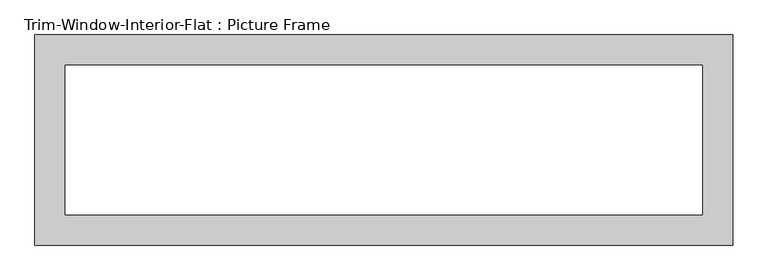
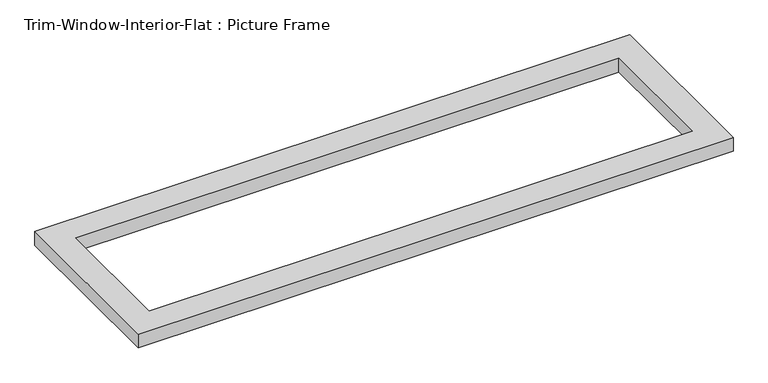
"""IFC4 building model written with IfcOpenShell, lengths in millimetres: proxy geometry, Trim-Window-Interior-Flat : Picture Frame."""

import ifcopenshell
import ifcopenshell.guid

model = None  # the IFC model being written
_history = None  # IfcOwnerHistory: only IFC2X3 demands one
_inside = {}  # id of a spatial element -> (the spatial element, [elements in it])
_under = {}  # id of a project, library or spatial element -> (it, [spatial elements below it])
_declared = {}  # id of a project -> (the project, [libraries it declares])
_typed = {}  # id of a type object -> (the type object, [elements of that type])
_made_of = {}  # id of a material, layer set ... -> (it, [elements and type objects made of it])


def new_model(schema):
    """Start an empty IFC model of exactly this schema.

    Asked for "IFC4X3", IfcOpenShell would pick the latest addendum, in which some entities
    have other attributes; the version numbers below select the first issue.
    IFC2X3 requires an IfcOwnerHistory on every rooted entity: one is made here for all.
    """
    global model, _history
    if schema == "IFC4X3":
        model = ifcopenshell.file(schema_version=(4, 3, 0, 0))
    else:
        model = ifcopenshell.file(schema=schema)
    _inside.clear()
    _under.clear()
    _declared.clear()
    _typed.clear()
    _made_of.clear()
    _history = None
    if model.schema == "IFC2X3":
        org = make("IfcOrganization", Name="unknown")
        user = make(
            "IfcPersonAndOrganization",
            ThePerson=make("IfcPerson", FamilyName="unknown"),
            TheOrganization=org,
        )
        app = make(
            "IfcApplication",
            ApplicationDeveloper=org,
            Version="unknown",
            ApplicationFullName="unknown",
            ApplicationIdentifier="unknown",
        )
        _history = make(
            "IfcOwnerHistory",
            OwningUser=user,
            OwningApplication=app,
            ChangeAction="ADDED",
            CreationDate=0,
        )
    return model


def make(cls, **values):
    """One entity of the class cls with the attributes given. An attribute that is None is left unset."""
    return model.create_entity(
        cls, **{name: value for name, value in values.items() if value is not None}
    )


def rooted(cls, **values):
    """An entity with a GlobalId (a new one), such as an element, a storey or a relation."""
    return make(cls, GlobalId=ifcopenshell.guid.new(), OwnerHistory=_history, **values)


def si_unit(unit_type, name, prefix=None):
    """IfcSIUnit, for example si_unit("LENGTHUNIT", "METRE", prefix="MILLI")."""
    return make("IfcSIUnit", UnitType=unit_type, Prefix=prefix, Name=name)


def assignment(units):
    """IfcUnitAssignment: the units of a project."""
    return None if units is None else make("IfcUnitAssignment", Units=units)


def point(xyz):
    """IfcCartesianPoint."""
    return None if xyz is None else make("IfcCartesianPoint", Coordinates=xyz)


def direction(xyz):
    """IfcDirection."""
    return None if xyz is None else make("IfcDirection", DirectionRatios=xyz)


def frame(location, z_axis=None, x_axis=None):
    """IfcAxis2Placement3D, a coordinate frame: its origin and axes. An axis left out is left unset."""
    return make(
        "IfcAxis2Placement3D",
        Location=point(location),
        Axis=direction(z_axis),
        RefDirection=direction(x_axis),
    )


def origin():
    """The frame at (0, 0, 0) with its axes left unset."""
    return frame((0.0, 0.0, 0.0))


def origin_with_axes():
    """The frame at (0, 0, 0) with the z axis (0, 0, 1) and the x axis (1, 0, 0) written out."""
    return frame((0.0, 0.0, 0.0), z_axis=(0.0, 0.0, 1.0), x_axis=(1.0, 0.0, 0.0))


def place(relative_to, where):
    """IfcLocalPlacement: puts the frame where relative to a parent placement (None: the world)."""
    return make(
        "IfcLocalPlacement", PlacementRelTo=relative_to, RelativePlacement=where
    )


def context(
    kind, dimensions, precision=None, world=None, true_north=None, identifier=None
):
    """IfcGeometricRepresentationContext, for example the 3D "Model" context."""
    return make(
        "IfcGeometricRepresentationContext",
        ContextIdentifier=identifier,
        ContextType=kind,
        CoordinateSpaceDimension=dimensions,
        Precision=precision,
        WorldCoordinateSystem=world,
        TrueNorth=true_north,
    )


def project(units=None, contexts=None):
    """IfcProject with its units and contexts."""
    return rooted(
        "IfcProject",
        Name="project",
        RepresentationContexts=contexts,
        UnitsInContext=assignment(units),
    )


def spatial(cls, under=None, at=None, **own):
    """A site, building, storey or space (cls), placed at a placement, below another one or the project."""
    s = rooted(cls, ObjectPlacement=at, **own)
    if under is not None:
        _under.setdefault(under.id(), (under, []))[1].append(s)
    return s


def polyline(points):
    """IfcPolyline through the points."""
    return make("IfcPolyline", Points=[point(p) for p in points])


def outline(outer, holes=None, kind="AREA"):
    """IfcArbitraryClosedProfileDef: a profile drawn as a closed curve; with holes, ...WithVoids."""
    if holes is None:
        return make("IfcArbitraryClosedProfileDef", ProfileType=kind, OuterCurve=outer)
    return make(
        "IfcArbitraryProfileDefWithVoids",
        ProfileType=kind,
        OuterCurve=outer,
        InnerCurves=holes,
    )


def extrude(swept, where, along, depth):
    """IfcExtrudedAreaSolid: the profile swept, set in the frame where, extruded along a direction by depth."""
    return make(
        "IfcExtrudedAreaSolid",
        SweptArea=swept,
        Position=where,
        ExtrudedDirection=direction(along),
        Depth=depth,
    )


def shape(context_of_items, identifier, shape_type, items):
    """IfcShapeRepresentation: the items that make up one representation, for example the "Body"."""
    return make(
        "IfcShapeRepresentation",
        ContextOfItems=context_of_items,
        RepresentationIdentifier=identifier,
        RepresentationType=shape_type,
        Items=items,
    )


def source(mapping_origin, context_of_items, identifier, shape_type, items):
    """IfcRepresentationMap: a shape defined once, which mapped items show again and again."""
    return make(
        "IfcRepresentationMap",
        MappingOrigin=mapping_origin,
        MappedRepresentation=shape(context_of_items, identifier, shape_type, items),
    )


def transform(
    local_origin,
    x_axis=None,
    y_axis=None,
    z_axis=None,
    scale=None,
    scale2=None,
    scale3=None,
    uniform=True,
):
    """IfcCartesianTransformationOperator3D, or its non-uniform kind. x_axis, y_axis, z_axis: its Axis1, 2, 3."""
    if uniform:
        return make(
            "IfcCartesianTransformationOperator3D",
            Axis1=direction(x_axis),
            Axis2=direction(y_axis),
            LocalOrigin=point(local_origin),
            Scale=scale,
            Axis3=direction(z_axis),
        )
    return make(
        "IfcCartesianTransformationOperator3DnonUniform",
        Axis1=direction(x_axis),
        Axis2=direction(y_axis),
        LocalOrigin=point(local_origin),
        Scale=scale,
        Axis3=direction(z_axis),
        Scale2=scale2,
        Scale3=scale3,
    )


def mapped(mapping_source, mapping_target):
    """IfcMappedItem: shows the shape of a source again, moved by a transform."""
    return make(
        "IfcMappedItem", MappingSource=mapping_source, MappingTarget=mapping_target
    )


def made_of(thing, what):
    """Note that an element or type object is made of a material, layer set ...; save() writes the relation."""
    if what is not None:
        _made_of.setdefault(what.id(), (what, []))[1].append(thing)
    return thing


def element(
    cls,
    number,
    at=None,
    inside=None,
    cuts=None,
    type_object=None,
    material=None,
    context=None,
    identifier="Body",
    shape_type=None,
    held_by="IfcProductDefinitionShape",
    body=None,
    shapes=None,
    **own,
):
    """One element of the class cls, such as IfcWall. Its Tag is "e" and its number.

    at: its placement. inside: the storey or other place that contains it. cuts: it is an
    opening in that element (IfcRelVoidsElement). A single representation is given by context,
    identifier, shape_type and body (its items); several are given by shapes. held_by: the class
    of the entity that holds the representations. save() writes the other relations.
    """
    e = rooted(cls, Tag="e%d" % number, ObjectPlacement=at, **own)
    if body is not None:
        shapes = [shape(context, identifier, shape_type, body)]
    if shapes is not None:
        e.Representation = make(held_by, Representations=shapes)
    if inside is not None:
        _inside.setdefault(inside.id(), (inside, []))[1].append(e)
    if cuts is not None:
        rooted(
            "IfcRelVoidsElement", RelatingBuildingElement=cuts, RelatedOpeningElement=e
        )
    if type_object is not None:
        _typed.setdefault(type_object.id(), (type_object, []))[1].append(e)
    return made_of(e, material)


def aggregate(whole, parts):
    """IfcRelAggregates: a whole, such as a stair, and the parts it consists of."""
    return rooted("IfcRelAggregates", RelatingObject=whole, RelatedObjects=parts)


def save(model, path):
    """Write the relations noted so far, then the file.

    IfcRelAggregates (storeys below a building ...), IfcRelContainedInSpatialStructure (elements
    in a storey), IfcRelDefinesByType, IfcRelAssociatesMaterial and IfcRelDeclares: one each for
    every whole, place, type object, material and project.
    """
    for whole, parts in _under.values():
        aggregate(whole, parts)
    for where, things in _inside.values():
        rooted(
            "IfcRelContainedInSpatialStructure",
            RelatedElements=things,
            RelatingStructure=where,
        )
    for kind, things in _typed.values():
        rooted("IfcRelDefinesByType", RelatedObjects=things, RelatingType=kind)
    for what, things in _made_of.values():
        rooted("IfcRelAssociatesMaterial", RelatedObjects=things, RelatingMaterial=what)
    for by, libraries in _declared.values():
        rooted("IfcRelDeclares", RelatingContext=by, RelatedDefinitions=libraries)
    model.write(path)


def trim_window_interior_flat_picture_frame_87f2fd6b(model_context):
    return source(origin(), model_context, "Body", "SweptSolid", [
        extrude(outline(polyline([(654.05, 44.45), (654.05, -349.25), (-654.05, -349.25), (-654.05, 44.45), (654.05, 44.45)]), holes=[polyline([(596.9, -12.7), (-596.9, -12.7), (-596.9, -292.1), (596.9, -292.1), (596.9, -12.7)])]), origin_with_axes(), (0.0, 0.0, 1.0), 31.75),
    ])


if __name__ == "__main__":
    model = new_model("IFC4")
    model_context = context("Model", 3, world=origin())
    ifc_project = project(units=[si_unit("LENGTHUNIT", "METRE", prefix="MILLI")], contexts=[model_context])
    site = spatial("IfcSite", under=ifc_project)
    building = spatial("IfcBuilding", under=site)
    placement = place(None, origin())
    trim_window_interior_flat_picture_frame_shape = trim_window_interior_flat_picture_frame_87f2fd6b(model_context)
    element("IfcBuildingElementProxy", 1, Name="Trim-Window-Interior-Flat : Picture Frame", ObjectType="Trim-Window-Interior-Flat : Picture Frame", at=placement, inside=building, context=model_context, shape_type="MappedRepresentation", body=[
        mapped(trim_window_interior_flat_picture_frame_shape, transform((0.0, 0.0, 0.0), x_axis=(1.0, 0.0, 0.0), y_axis=(0.0, 1.0, 0.0), z_axis=(0.0, 0.0, 1.0))),
    ])
    save(model, "model.ifc")
